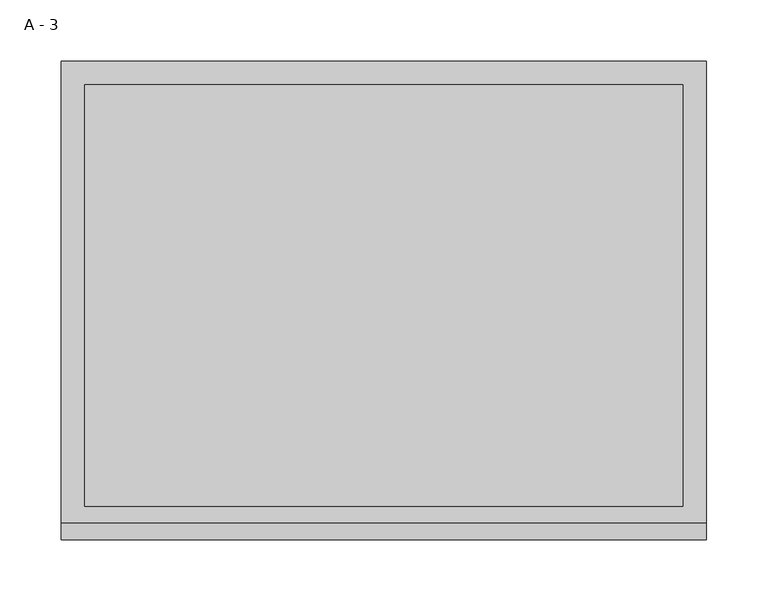
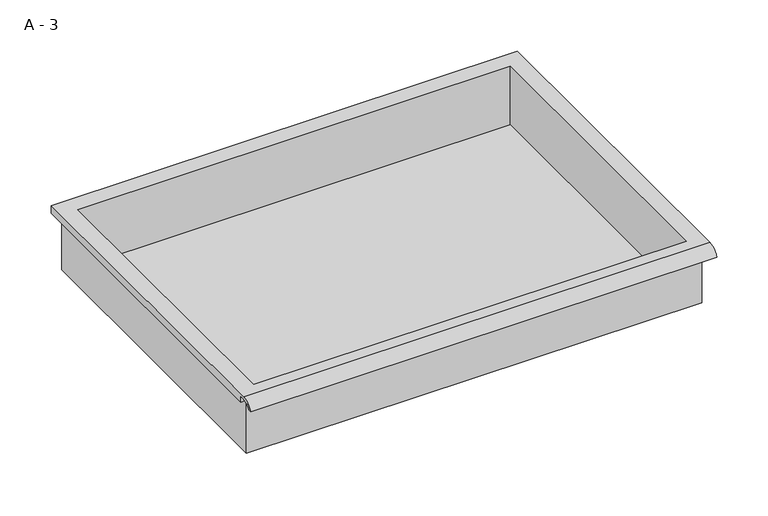
"""IFC4 building model written with IfcOpenShell, lengths in millimetres: furniture geometry, A - 3."""

from ifc_helpers import new_model, si_unit, frame, origin, place, context, project, spatial, polyline, circle_curve, source, transform, mapped, element, save
from ifc_brep_helpers import plane_surface, cylinder_surface, revolved_surface, advanced_brep


def a_3_5ec6a888(model_context):
    return source(origin(), model_context, "Body", "AdvancedBrep", [
        advanced_brep(
        [(-257.1076517, -176.2125, 865.19512), (257.2423483, -176.2125, 865.19512), (257.2423483, -176.2125, 928.69512), (263.5923483, -176.2125, 928.69512), (263.5923483, -176.2125, 935.0022541), (-263.4576517, -176.2125, 935.0022541), (-263.4576517, -176.2125, 928.69512), (-257.1076517, -176.2125, 928.69512), (257.2423483, 185.7375, 865.19512), (-257.1076517, 185.7375, 865.19512), (-257.1076517, 185.7375, 928.69512), (257.2423483, 185.7375, 928.69512), (263.5923483, -181.6070544, 938.22012), (263.5923483, 195.2625, 938.22012), (-263.4576517, 195.2625, 938.22012), (-263.4576517, -181.6070544, 938.22012), (244.5423483, -168.275, 938.22012), (-244.4076517, -168.275, 938.22012), (-244.4076517, 176.2125, 938.22012), (244.5423483, 176.2125, 938.22012), (263.5923483, -195.2625, 928.69512), (263.5923483, -191.8280601, 928.69512), (263.5923483, -180.4714815, 935.0022541), (263.5923483, 195.2625, 928.69512), (-263.4576517, 195.2625, 928.69512), (-263.4576517, -180.4714815, 935.0022541), (-263.4576517, -191.8280601, 928.69512), (-263.4576517, -195.2625, 928.69512), (-244.4076517, -168.275, 868.2212919), (244.5423483, -168.275, 868.2212919), (244.5423483, 176.2125, 868.2212919), (-244.4076517, 176.2125, 868.2212919)],
        [
            (0, 1),
            (1, 2),
            (2, 3),
            (3, 4),
            (4, 5),
            (5, 6),
            (6, 7),
            (7, 0),
            (8, 9),
            (9, 10),
            (10, 11),
            (11, 8),
            (0, 9),
            (8, 1),
            (11, 2),
            (12, 13),
            (13, 14),
            (14, 15),
            (15, 12),
            (16, 17),
            (17, 18),
            (18, 19),
            (19, 16),
            (7, 10),
            (12, 20, circle_curve(frame((263.5923483, -181.6070544, 923.6691059), z_axis=(1.0, 0.0, 0.0), x_axis=(0.0, 1.0, 0.0)), 14.5510141)),
            (20, 21),
            (21, 22, circle_curve(frame((263.5923483, -181.6070544, 923.6691059), z_axis=(-1.0, 0.0, 0.0), x_axis=(0.0, 1.0, 0.0)), 11.3898979)),
            (22, 4),
            (3, 23),
            (23, 13),
            (14, 24),
            (24, 6),
            (5, 25),
            (25, 26, circle_curve(frame((-263.4576517, -181.6070544, 923.6691059), z_axis=(1.0, 0.0, 0.0), x_axis=(0.0, 1.0, 0.0)), 11.3898979)),
            (26, 27),
            (27, 15, circle_curve(frame((-263.4576517, -181.6070544, 923.6691059), z_axis=(-1.0, 0.0, 0.0), x_axis=(0.0, 1.0, 0.0)), 14.5510141)),
            (27, 20),
            (26, 21),
            (25, 22),
            (24, 23),
            (28, 29),
            (29, 30),
            (30, 31),
            (31, 28),
            (28, 17),
            (16, 29),
            (19, 30),
            (18, 31),
        ],
        [
            plane_surface(frame((257.2423483, -176.2125, 865.19512), z_axis=(0.0, -1.0, 0.0), x_axis=(1.0, 0.0, 0.0))),
            plane_surface(frame((257.2423483, 185.7375, 865.19512), z_axis=(0.0, 1.0, 0.0), x_axis=(-1.0, 0.0, 0.0))),
            plane_surface(frame((-257.1076517, -176.2125, 865.19512), z_axis=(0.0, 0.0, -1.0), x_axis=(0.0, 1.0, 0.0))),
            plane_surface(frame((257.2423483, -176.2125, 865.19512), z_axis=(1.0, 0.0, 0.0), x_axis=(0.0, 1.0, 0.0))),
            plane_surface(frame((257.2423483, -176.2125, 938.22012), z_axis=(0.0, 0.0, 1.0), x_axis=(0.0, 1.0, 0.0))),
            plane_surface(frame((-257.1076517, -176.2125, 938.22012), z_axis=(-1.0, 0.0, 0.0), x_axis=(0.0, 1.0, 0.0))),
            plane_surface(frame((263.5923483, 195.2625, 938.22012), z_axis=(1.0, 0.0, 0.0), x_axis=(0.0, -1.0, 0.0))),
            plane_surface(frame((-263.4576517, 195.2625, 938.22012), z_axis=(-1.0, 0.0, 0.0), x_axis=(0.0, 1.0, 0.0))),
            cylinder_surface(frame((-263.4576517, -181.6070544, 923.6691059), z_axis=(1.0, 0.0, 0.0), x_axis=(0.0, 1.0, 0.0)), 14.5510141),
            plane_surface(frame((263.5923483, -195.2625, 928.69512), z_axis=(0.0, -7.330645323406854e-12, -1.0), x_axis=(-1.0, 0.0, 0.0))),
            revolved_surface(polyline([(-263.4576517, -170.21715650000002, 923.6691059), (263.59234829999997, -170.21715650000002, 923.6691059)]), (-263.4576517, -181.6070544, 923.6691059), (-1.0, 0.0, 0.0)),
            plane_surface(frame((263.5923483, -180.4714815, 935.0022541), z_axis=(0.0, -1.814744708335596e-11, -1.0), x_axis=(-1.0, 0.0, 0.0))),
            plane_surface(frame((263.5923483, -176.2125, 928.69512), z_axis=(0.0, 0.0, -1.0), x_axis=(-1.0, 0.0, 0.0))),
            plane_surface(frame((263.5923483, 195.2625, 928.69512), z_axis=(0.0, 1.0, 0.0), x_axis=(-1.0, 0.0, 0.0))),
            plane_surface(frame((244.5423483, -168.275, 868.2212919), z_axis=(0.0, 0.0, 1.0), x_axis=(-1.0, 0.0, 0.0))),
            plane_surface(frame((-244.4076517, -168.275, 938.22012), z_axis=(0.0, 1.0, 0.0), x_axis=(0.0, 0.0, -1.0))),
            plane_surface(frame((244.5423483, -168.275, 938.22012), z_axis=(-1.0, 0.0, 0.0), x_axis=(0.0, 0.0, -1.0))),
            plane_surface(frame((244.5423483, 176.2125, 938.22012), z_axis=(0.0, -1.0, 0.0), x_axis=(0.0, 0.0, -1.0))),
            plane_surface(frame((-244.4076517, 176.2125, 938.22012), z_axis=(1.0, 0.0, 0.0), x_axis=(0.0, 0.0, -1.0))),
        ],
        [
            (0, [[1, 2, 3, 4, 5, 6, 7, 8]]),
            (1, [[9, 10, 11, 12]]),
            (2, [[-1, 13, -9, 14]]),
            (3, [[-14, -12, 15, -2]]),
            (4, [[16, 17, 18, 19], [20, 21, 22, 23]]),
            (5, [[-13, -8, 24, -10]]),
            (6, [[-16, 25, 26, 27, 28, -4, 29, 30]]),
            (7, [[31, 32, -6, 33, 34, 35, 36, -18]]),
            (8, [[-25, -19, -36, 37]]),
            (9, [[-26, -37, -35, 38]]),
            (10, [[-27, -38, -34, 39]]),
            (11, [[-28, -39, -33, -5]]),
            (12, [[-29, -3, -15, -11, -24, -7, -32, 40]]),
            (13, [[-30, -40, -31, -17]]),
            (14, [[41, 42, 43, 44]]),
            (15, [[-41, 45, -20, 46]]),
            (16, [[-42, -46, -23, 47]]),
            (17, [[-43, -47, -22, 48]]),
            (18, [[-44, -48, -21, -45]]),
        ],
    ),
    ])


if __name__ == "__main__":
    model = new_model("IFC4")
    model_context = context("Model", 3, world=origin())
    ifc_project = project(units=[si_unit("LENGTHUNIT", "METRE", prefix="MILLI")], contexts=[model_context])
    site = spatial("IfcSite", under=ifc_project)
    building = spatial("IfcBuilding", under=site)
    placement = place(None, origin())
    a_3_shape = a_3_5ec6a888(model_context)
    element("IfcFurniture", 1, ObjectType="A - 3", at=placement, inside=building, context=model_context, shape_type="MappedRepresentation", body=[
        mapped(a_3_shape, transform((0.0, 0.0, 0.0), x_axis=(1.0, 0.0, 0.0), y_axis=(0.0, 1.0, 0.0), z_axis=(0.0, 0.0, 1.0))),
    ])
    save(model, "model.ifc")
